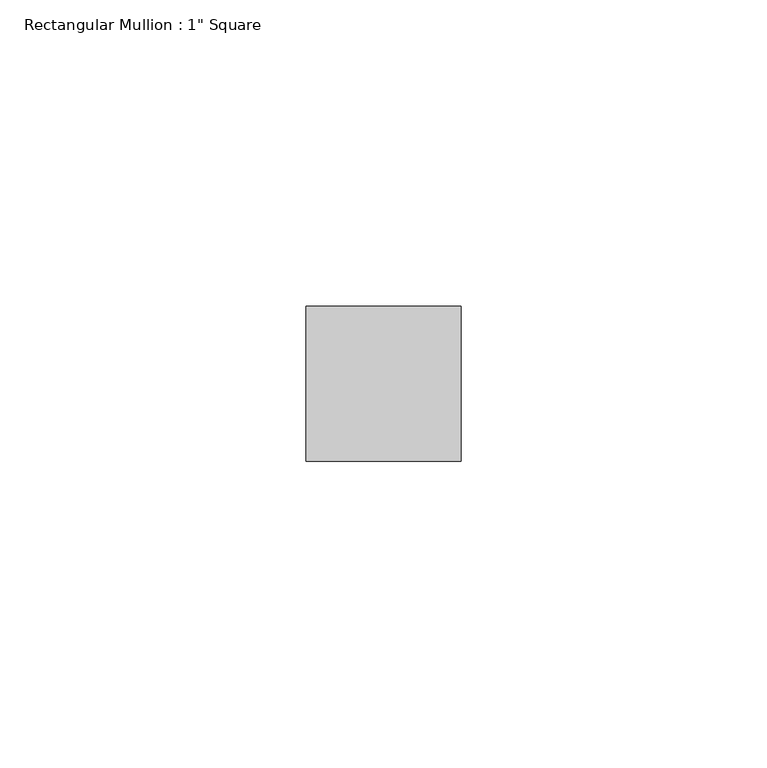
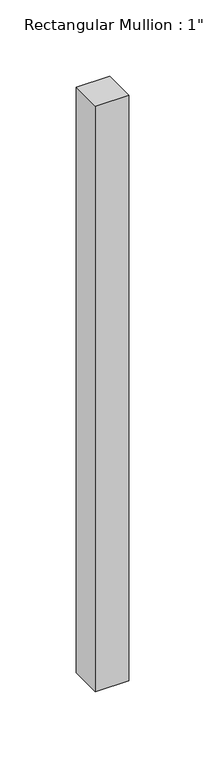
"""IFC4 building model written with IfcOpenShell, lengths in millimetres: member geometry."""

from ifc_helpers import new_model, si_unit, frame, origin, place, context, project, spatial, polyline, outline, extrude, source, transform, mapped, element, save


def member_43d97b6d(model_context):
    return source(origin(), model_context, "Body", "SweptSolid", [
        extrude(outline(polyline([(0.0, 12.7), (0.0, -12.7), (-25.4, -12.7), (-25.4, 12.7), (0.0, 12.7)])), frame((0.0, 0.0, -469.9), z_axis=(0.0, 0.0, 1.0), x_axis=(1.0, 0.0, 0.0)), (0.0, 0.0, 1.0), 469.9),
    ])


if __name__ == "__main__":
    model = new_model("IFC4")
    model_context = context("Model", 3, world=origin())
    ifc_project = project(units=[si_unit("LENGTHUNIT", "METRE", prefix="MILLI")], contexts=[model_context])
    site = spatial("IfcSite", under=ifc_project)
    building = spatial("IfcBuilding", under=site)
    placement = place(None, origin())
    member_shape = member_43d97b6d(model_context)
    element("IfcMember", 1, ObjectType="Rectangular Mullion : 1\" Square", at=placement, inside=building, context=model_context, shape_type="MappedRepresentation", body=[
        mapped(member_shape, transform((0.0, 0.0, 0.0), x_axis=(1.0, 0.0, 0.0), y_axis=(0.0, 1.0, 0.0), z_axis=(0.0, 0.0, 1.0))),
    ])
    save(model, "model.ifc")
